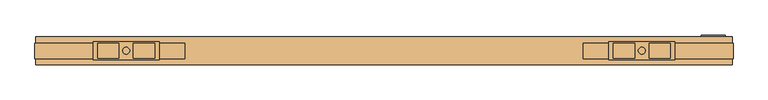
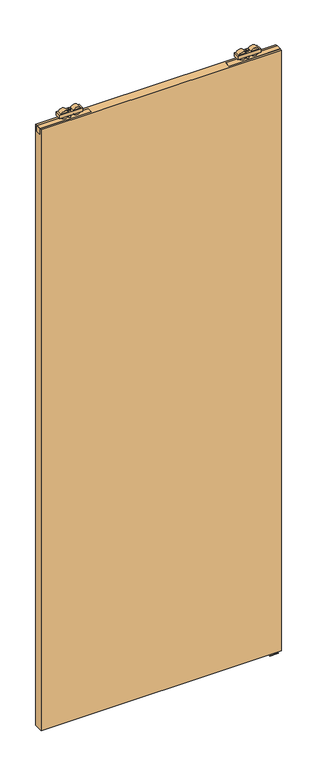
"""IFC4 building model written with IfcOpenShell, lengths in millimetres: door geometry."""

from ifc_helpers import new_model, si_unit, frame, origin, place, context, project, spatial, polyline, circle_curve, outline, extrude, source, transform, mapped, element, save
from ifc_brep_helpers import plane_surface, cylinder_surface, advanced_brep


def door_041755ea(model_context):
    return source(origin(), model_context, "Body", "SolidModel", [
        advanced_brep(
        [(15.0, 5.75, 2679.5), (-80.0, 5.75, 2679.5), (-80.0, -20.25, 2679.5), (15.0, -20.25, 2679.5), (-42.927668, -17.9531798, 2679.5), (-73.21694, -17.9531798, 2679.5), (-73.21694, 3.4531798, 2679.5), (-42.927668, 3.4531798, 2679.5), (8.21694, -17.9531798, 2679.5), (-22.072332, -17.9531798, 2679.5), (-22.072332, 3.4531798, 2679.5), (8.21694, 3.4531798, 2679.5), (-27.55, -7.25, 2679.5), (-37.45, -7.25, 2679.5), (15.0, 5.75, 2664.5), (15.0, -20.25, 2664.5), (-80.0, -20.25, 2664.5), (-80.0, 5.75, 2664.5), (-73.21694, -17.9531798, 2664.5), (-42.927668, -17.9531798, 2664.5), (-42.927668, 3.4531798, 2664.5), (-73.21694, 3.4531798, 2664.5), (-22.072332, -17.9531798, 2664.5), (8.21694, -17.9531798, 2664.5), (8.21694, 3.4531798, 2664.5), (-22.072332, 3.4531798, 2664.5), (-37.45, -7.25, 2664.5), (-27.55, -7.25, 2664.5), (-37.45, -7.25, 2685.0), (-27.55, -7.25, 2685.0), (-37.45, -7.25, 2648.0), (-27.55, -7.25, 2648.0)],
        [
            (0, 1),
            (1, 2),
            (2, 3),
            (3, 0),
            (4, 5),
            (5, 6),
            (6, 7),
            (7, 4),
            (8, 9),
            (9, 10),
            (10, 11),
            (11, 8),
            (12, 13, circle_curve(frame((-32.5, -7.25, 2679.5), z_axis=(0.0, 0.0, -1.0), x_axis=(1.0, 0.0, 0.0)), 4.95)),
            (13, 12, circle_curve(frame((-32.5, -7.25, 2679.5), z_axis=(0.0, 0.0, -1.0), x_axis=(1.0, 0.0, 0.0)), 4.95)),
            (14, 15),
            (15, 16),
            (16, 17),
            (17, 14),
            (18, 19),
            (19, 20),
            (20, 21),
            (21, 18),
            (22, 23),
            (23, 24),
            (24, 25),
            (25, 22),
            (26, 27, circle_curve(frame((-32.5, -7.25, 2664.5), z_axis=(0.0, 0.0, 1.0), x_axis=(1.0, 0.0, 0.0)), 4.95)),
            (27, 26, circle_curve(frame((-32.5, -7.25, 2664.5), z_axis=(0.0, 0.0, 1.0), x_axis=(1.0, 0.0, 0.0)), 4.95)),
            (0, 14),
            (17, 1),
            (16, 2),
            (15, 3),
            (18, 19, circle_curve(frame((-58.072304, -17.9531798, 2672.0), z_axis=(0.0, -1.0, 0.0), x_axis=(1.0, 0.0, 0.0)), 16.9)),
            (4, 5, circle_curve(frame((-58.072304, -17.9531798, 2672.0), z_axis=(0.0, -1.0, 0.0), x_axis=(1.0, 0.0, 0.0)), 16.9)),
            (6, 7, circle_curve(frame((-58.072304, 3.4531798, 2672.0), z_axis=(0.0, 1.0, 0.0), x_axis=(1.0, 0.0, 0.0)), 16.9)),
            (20, 21, circle_curve(frame((-58.072304, 3.4531798, 2672.0), z_axis=(0.0, 1.0, 0.0), x_axis=(1.0, 0.0, 0.0)), 16.9)),
            (8, 9, circle_curve(frame((-6.927696, -17.9531798, 2672.0), z_axis=(0.0, -1.0, 0.0), x_axis=(-1.0, 0.0, 0.0)), 16.9)),
            (22, 23, circle_curve(frame((-6.927696, -17.9531798, 2672.0), z_axis=(0.0, -1.0, 0.0), x_axis=(-1.0, 0.0, 0.0)), 16.9)),
            (24, 25, circle_curve(frame((-6.927696, 3.4531798, 2672.0), z_axis=(0.0, 1.0, 0.0), x_axis=(-1.0, 0.0, 0.0)), 16.9)),
            (10, 11, circle_curve(frame((-6.927696, 3.4531798, 2672.0), z_axis=(0.0, 1.0, 0.0), x_axis=(-1.0, 0.0, 0.0)), 16.9)),
            (28, 29, circle_curve(frame((-32.5, -7.25, 2685.0), z_axis=(0.0, 0.0, 1.0), x_axis=(1.0, 0.0, 0.0)), 4.95)),
            (29, 28, circle_curve(frame((-32.5, -7.25, 2685.0), z_axis=(0.0, 0.0, 1.0), x_axis=(1.0, 0.0, 0.0)), 4.95)),
            (30, 31, circle_curve(frame((-32.5, -7.25, 2648.0), z_axis=(0.0, 0.0, -1.0), x_axis=(1.0, 0.0, 0.0)), 4.95)),
            (31, 30, circle_curve(frame((-32.5, -7.25, 2648.0), z_axis=(0.0, 0.0, -1.0), x_axis=(1.0, 0.0, 0.0)), 4.95)),
            (28, 13),
            (12, 29),
            (31, 27),
            (26, 30),
        ],
        [
            plane_surface(frame((-80.0, 5.75, 2679.5), z_axis=(0.0, 0.0, 1.0), x_axis=(-1.0, 0.0, 0.0))),
            plane_surface(frame((-80.0, 5.75, 2664.5), z_axis=(0.0, 0.0, -1.0), x_axis=(1.0, 0.0, 0.0))),
            plane_surface(frame((15.0, 5.75, 2679.5), z_axis=(0.0, 1.0, 0.0), x_axis=(0.0, 0.0, -1.0))),
            plane_surface(frame((-80.0, 5.75, 2679.5), z_axis=(-1.0, 0.0, 0.0), x_axis=(0.0, 0.0, -1.0))),
            plane_surface(frame((-80.0, -20.25, 2679.5), z_axis=(0.0, -1.0, 0.0), x_axis=(0.0, 0.0, -1.0))),
            plane_surface(frame((15.0, -20.25, 2679.5), z_axis=(1.0, 0.0, 0.0), x_axis=(0.0, 0.0, -1.0))),
            plane_surface(frame((-41.172304, -17.9531798, 2672.0), z_axis=(0.0, -1.0, 0.0), x_axis=(0.0, 0.0, 1.0))),
            plane_surface(frame((-41.172304, 3.4531798, 2672.0), z_axis=(0.0, 1.0, 0.0), x_axis=(0.0, 0.0, -1.0))),
            cylinder_surface(frame((-58.072304, 3.4531798, 2672.0), z_axis=(0.0, -1.0, 0.0), x_axis=(1.0, 0.0, 0.0)), 16.9),
            plane_surface(frame((-23.827696, -17.9531798, 2672.0), z_axis=(0.0, -1.0, 0.0), x_axis=(0.0, 0.0, -1.0))),
            plane_surface(frame((-23.827696, 3.4531798, 2672.0), z_axis=(0.0, 1.0, 0.0), x_axis=(0.0, 0.0, 1.0))),
            cylinder_surface(frame((-6.927696, 3.4531798, 2672.0), z_axis=(0.0, -1.0, 0.0), x_axis=(-1.0, 0.0, 0.0)), 16.9),
            plane_surface(frame((-27.55, -7.25, 2685.0), z_axis=(0.0, 0.0, 1.0), x_axis=(0.0, 1.0, 0.0))),
            plane_surface(frame((-27.55, -7.25, 2648.0), z_axis=(0.0, 0.0, -1.0), x_axis=(0.0, -1.0, 0.0))),
            cylinder_surface(frame((-32.5, -7.25, 2648.0), z_axis=(0.0, 0.0, 1.0), x_axis=(1.0, 0.0, 0.0)), 4.95),
        ],
        [
            (0, [[1, 2, 3, 4], [5, 6, 7, 8], [9, 10, 11, 12], [13, 14]]),
            (1, [[15, 16, 17, 18], [19, 20, 21, 22], [23, 24, 25, 26], [27, 28]]),
            (2, [[-1, 29, -18, 30]]),
            (3, [[-2, -30, -17, 31]]),
            (4, [[-3, -31, -16, 32]]),
            (5, [[-4, -32, -15, -29]]),
            (6, [[33, -19]]),
            (6, [[34, -5]]),
            (7, [[35, -7]]),
            (7, [[36, -21]]),
            (8, [[-33, -22, -36, -20]]),
            (8, [[-34, -8, -35, -6]]),
            (9, [[37, -9]]),
            (9, [[38, -23]]),
            (10, [[39, -25]]),
            (10, [[40, -11]]),
            (11, [[-38, -26, -39, -24]]),
            (11, [[-37, -12, -40, -10]]),
            (12, [[41, 42]]),
            (13, [[43, 44]]),
            (14, [[-41, 45, -13, 46]]),
            (14, [[-44, 47, -27, 48]]),
            (14, [[-42, -46, -14, -45]]),
            (14, [[-43, -48, -28, -47]]),
        ],
    ),
        extrude(outline(polyline([(98.5, -18.5074263), (-116.5, -18.5074263), (-116.5, 3.4925737), (98.5, 3.4925737), (98.5, -18.5074263)])), frame((0.0, 0.0, 2623.2), z_axis=(0.0, 0.0, 1.0), x_axis=(1.0, 0.0, 0.0)), (0.0, 0.0, 1.0), 24.8),
        advanced_brep(
        [(-820.0, 5.75, 2679.5), (-820.0, -20.25, 2679.5), (-725.0, -20.25, 2679.5), (-725.0, 5.75, 2679.5), (-762.072332, -17.9531798, 2679.5), (-762.072332, 3.4531798, 2679.5), (-731.78306, 3.4531798, 2679.5), (-731.78306, -17.9531798, 2679.5), (-813.21694, -17.9531798, 2679.5), (-813.21694, 3.4531798, 2679.5), (-782.927668, 3.4531798, 2679.5), (-782.927668, -17.9531798, 2679.5), (-777.45, -7.25, 2679.5), (-767.55, -7.25, 2679.5), (-820.0, 5.75, 2664.5), (-725.0, 5.75, 2664.5), (-725.0, -20.25, 2664.5), (-820.0, -20.25, 2664.5), (-731.78306, -17.9531798, 2664.5), (-731.78306, 3.4531798, 2664.5), (-762.072332, 3.4531798, 2664.5), (-762.072332, -17.9531798, 2664.5), (-782.927668, -17.9531798, 2664.5), (-782.927668, 3.4531798, 2664.5), (-813.21694, 3.4531798, 2664.5), (-813.21694, -17.9531798, 2664.5), (-767.55, -7.25, 2664.5), (-777.45, -7.25, 2664.5), (-767.55, -7.25, 2685.0), (-777.45, -7.25, 2685.0), (-767.55, -7.25, 2648.0), (-777.45, -7.25, 2648.0)],
        [
            (0, 1),
            (1, 2),
            (2, 3),
            (3, 0),
            (4, 5),
            (5, 6),
            (6, 7),
            (7, 4),
            (8, 9),
            (9, 10),
            (10, 11),
            (11, 8),
            (12, 13, circle_curve(frame((-772.5, -7.25, 2679.5), z_axis=(0.0, 0.0, -1.0), x_axis=(-1.0, 0.0, 0.0)), 4.95)),
            (13, 12, circle_curve(frame((-772.5, -7.25, 2679.5), z_axis=(0.0, 0.0, -1.0), x_axis=(-1.0, 0.0, 0.0)), 4.95)),
            (14, 15),
            (15, 16),
            (16, 17),
            (17, 14),
            (18, 19),
            (19, 20),
            (20, 21),
            (21, 18),
            (22, 23),
            (23, 24),
            (24, 25),
            (25, 22),
            (26, 27, circle_curve(frame((-772.5, -7.25, 2664.5), z_axis=(0.0, 0.0, 1.0), x_axis=(-1.0, 0.0, 0.0)), 4.95)),
            (27, 26, circle_curve(frame((-772.5, -7.25, 2664.5), z_axis=(0.0, 0.0, 1.0), x_axis=(-1.0, 0.0, 0.0)), 4.95)),
            (3, 15),
            (14, 0),
            (2, 16),
            (1, 17),
            (7, 4, circle_curve(frame((-746.927696, -17.9531798, 2672.0), z_axis=(0.0, -1.0, 0.0), x_axis=(-1.0, 0.0, 0.0)), 16.9)),
            (21, 18, circle_curve(frame((-746.927696, -17.9531798, 2672.0), z_axis=(0.0, -1.0, 0.0), x_axis=(-1.0, 0.0, 0.0)), 16.9)),
            (5, 6, circle_curve(frame((-746.927696, 3.4531798, 2672.0), z_axis=(0.0, 1.0, 0.0), x_axis=(-1.0, 0.0, 0.0)), 16.9)),
            (19, 20, circle_curve(frame((-746.927696, 3.4531798, 2672.0), z_axis=(0.0, 1.0, 0.0), x_axis=(-1.0, 0.0, 0.0)), 16.9)),
            (11, 8, circle_curve(frame((-798.072304, -17.9531798, 2672.0), z_axis=(0.0, -1.0, 0.0), x_axis=(1.0, 0.0, 0.0)), 16.9)),
            (25, 22, circle_curve(frame((-798.072304, -17.9531798, 2672.0), z_axis=(0.0, -1.0, 0.0), x_axis=(1.0, 0.0, 0.0)), 16.9)),
            (9, 10, circle_curve(frame((-798.072304, 3.4531798, 2672.0), z_axis=(0.0, 1.0, 0.0), x_axis=(1.0, 0.0, 0.0)), 16.9)),
            (23, 24, circle_curve(frame((-798.072304, 3.4531798, 2672.0), z_axis=(0.0, 1.0, 0.0), x_axis=(1.0, 0.0, 0.0)), 16.9)),
            (28, 29, circle_curve(frame((-772.5, -7.25, 2685.0), z_axis=(0.0, 0.0, 1.0), x_axis=(-1.0, 0.0, 0.0)), 4.95)),
            (29, 28, circle_curve(frame((-772.5, -7.25, 2685.0), z_axis=(0.0, 0.0, 1.0), x_axis=(-1.0, 0.0, 0.0)), 4.95)),
            (30, 31, circle_curve(frame((-772.5, -7.25, 2648.0), z_axis=(0.0, 0.0, -1.0), x_axis=(-1.0, 0.0, 0.0)), 4.95)),
            (31, 30, circle_curve(frame((-772.5, -7.25, 2648.0), z_axis=(0.0, 0.0, -1.0), x_axis=(-1.0, 0.0, 0.0)), 4.95)),
            (30, 26),
            (27, 31),
            (29, 12),
            (13, 28),
        ],
        [
            plane_surface(frame((-725.0, 5.75, 2679.5), z_axis=(0.0, 0.0, 1.0), x_axis=(1.0, 0.0, 0.0))),
            plane_surface(frame((-725.0, 5.75, 2664.5), z_axis=(0.0, 0.0, -1.0), x_axis=(-1.0, 0.0, 0.0))),
            plane_surface(frame((-820.0, 5.75, 2679.5), z_axis=(0.0, 1.0, 0.0), x_axis=(0.0, 0.0, -1.0))),
            plane_surface(frame((-725.0, 5.75, 2679.5), z_axis=(1.0, 0.0, 0.0), x_axis=(0.0, 0.0, -1.0))),
            plane_surface(frame((-725.0, -20.25, 2679.5), z_axis=(0.0, -1.0, 0.0), x_axis=(0.0, 0.0, -1.0))),
            plane_surface(frame((-820.0, -20.25, 2679.5), z_axis=(-1.0, 0.0, 0.0), x_axis=(0.0, 0.0, -1.0))),
            plane_surface(frame((-763.827696, -17.9531798, 2672.0), z_axis=(0.0, -1.0, 0.0), x_axis=(0.0, 0.0, 1.0))),
            plane_surface(frame((-763.827696, 3.4531798, 2672.0), z_axis=(0.0, 1.0, 0.0), x_axis=(0.0, 0.0, -1.0))),
            cylinder_surface(frame((-746.927696, 3.4531798, 2672.0), z_axis=(0.0, -1.0, 0.0), x_axis=(-1.0, 0.0, 0.0)), 16.9),
            plane_surface(frame((-781.172304, -17.9531798, 2672.0), z_axis=(0.0, -1.0, 0.0), x_axis=(0.0, 0.0, -1.0))),
            plane_surface(frame((-781.172304, 3.4531798, 2672.0), z_axis=(0.0, 1.0, 0.0), x_axis=(0.0, 0.0, 1.0))),
            cylinder_surface(frame((-798.072304, 3.4531798, 2672.0), z_axis=(0.0, -1.0, 0.0), x_axis=(1.0, 0.0, 0.0)), 16.9),
            plane_surface(frame((-777.45, -7.25, 2685.0), z_axis=(0.0, 0.0, 1.0), x_axis=(0.0, 1.0, 0.0))),
            plane_surface(frame((-777.45, -7.25, 2648.0), z_axis=(0.0, 0.0, -1.0), x_axis=(0.0, -1.0, 0.0))),
            cylinder_surface(frame((-772.5, -7.25, 2648.0), z_axis=(0.0, 0.0, 1.0), x_axis=(-1.0, 0.0, 0.0)), 4.95),
        ],
        [
            (0, [[1, 2, 3, 4], [5, 6, 7, 8], [9, 10, 11, 12], [13, 14]]),
            (1, [[15, 16, 17, 18], [19, 20, 21, 22], [23, 24, 25, 26], [27, 28]]),
            (2, [[29, -15, 30, -4]]),
            (3, [[31, -16, -29, -3]]),
            (4, [[32, -17, -31, -2]]),
            (5, [[-30, -18, -32, -1]]),
            (6, [[-8, 33]]),
            (6, [[-22, 34]]),
            (7, [[-6, 35]]),
            (7, [[-20, 36]]),
            (8, [[-21, -36, -19, -34]]),
            (8, [[-7, -35, -5, -33]]),
            (9, [[-12, 37]]),
            (9, [[-26, 38]]),
            (10, [[-10, 39]]),
            (10, [[-24, 40]]),
            (11, [[-25, -40, -23, -38]]),
            (11, [[-11, -39, -9, -37]]),
            (12, [[41, 42]]),
            (13, [[43, 44]]),
            (14, [[45, -28, 46, -43]]),
            (14, [[47, -14, 48, -42]]),
            (14, [[-48, -13, -47, -41]]),
            (14, [[-46, -27, -45, -44]]),
        ],
    ),
        extrude(outline(polyline([(-903.5, -18.5074263), (-903.5, 3.4925737), (-688.5, 3.4925737), (-688.5, -18.5074263), (-903.5, -18.5074263)])), frame((0.0, 0.0, 2623.2), z_axis=(0.0, 0.0, 1.0), x_axis=(1.0, 0.0, 0.0)), (0.0, 0.0, 1.0), 24.8),
        extrude(outline(polyline([(-902.5, 12.75), (97.5, 12.75), (97.5, -27.25), (-902.5, -27.25), (-902.5, 12.75)])), frame((0.0, 0.0, 10.0), z_axis=(0.0, 0.0, 1.0), x_axis=(1.0, 0.0, 0.0)), (0.0, 0.0, 1.0), 2638.0),
        extrude(outline(polyline([(15.3483682, 2.0), (15.3483682, 0.0), (-21.25, 0.0), (-21.25, 2.0), (-7.25, 2.0), (-7.25, 26.0), (1.6516318, 26.0), (1.6516318, 2.0), (15.3483682, 2.0)])), frame((52.5, 0.0, 0.0), z_axis=(1.0, 0.0, 0.0), x_axis=(0.0, 1.0, 0.0)), (0.0, 0.0, 1.0), 35.0),
    ])


if __name__ == "__main__":
    model = new_model("IFC4")
    model_context = context("Model", 3, world=origin())
    ifc_project = project(units=[si_unit("LENGTHUNIT", "METRE", prefix="MILLI")], contexts=[model_context])
    site = spatial("IfcSite", under=ifc_project)
    building = spatial("IfcBuilding", under=site)
    placement = place(None, origin())
    door_shape = door_041755ea(model_context)
    element("IfcDoor", 1, at=placement, inside=building, context=model_context, shape_type="MappedRepresentation", body=[
        mapped(door_shape, transform((0.0, 0.0, 0.0), x_axis=(1.0, 0.0, 0.0), y_axis=(0.0, 1.0, 0.0), z_axis=(0.0, 0.0, 1.0))),
    ])
    save(model, "model.ifc")
